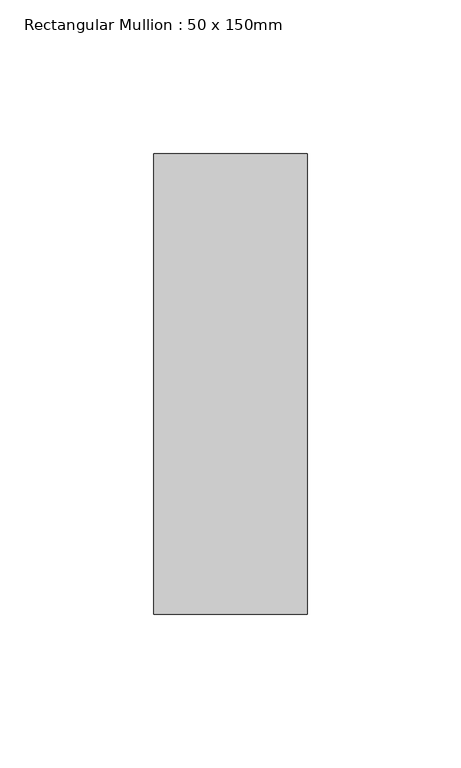
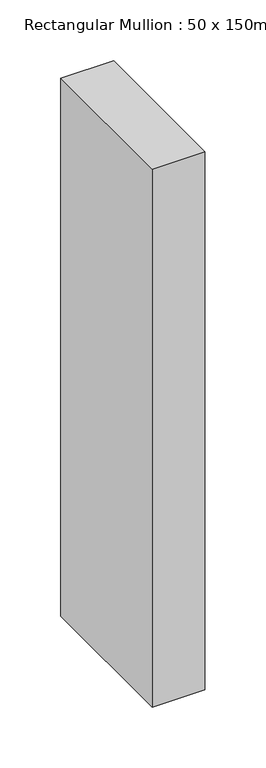
"""IFC4 building model written with IfcOpenShell, lengths in millimetres: member geometry, Rectangular Mullion : 50 x 150mm."""

from ifc_helpers import new_model, si_unit, frame, origin, place, context, project, spatial, polyline, outline, extrude, source, transform, mapped, element, save


def rectangular_mullion_50_x_150mm_dcf3b636(model_context):
    return source(origin(), model_context, "Body", "SweptSolid", [
        extrude(outline(polyline([(0.0, 75.0), (0.0, -75.0), (-50.0, -75.0), (-50.0, 75.0), (0.0, 75.0)])), frame((0.0, 0.0, -539.4970363), z_axis=(0.0, 0.0, 1.0), x_axis=(1.0, 0.0, 0.0)), (0.0, 0.0, 1.0), 539.4970363),
    ])


if __name__ == "__main__":
    model = new_model("IFC4")
    model_context = context("Model", 3, world=origin())
    ifc_project = project(units=[si_unit("LENGTHUNIT", "METRE", prefix="MILLI")], contexts=[model_context])
    site = spatial("IfcSite", under=ifc_project)
    building = spatial("IfcBuilding", under=site)
    placement = place(None, origin())
    rectangular_mullion_50_x_150mm_shape = rectangular_mullion_50_x_150mm_dcf3b636(model_context)
    element("IfcMember", 1, ObjectType="Rectangular Mullion : 50 x 150mm", at=placement, inside=building, context=model_context, shape_type="MappedRepresentation", body=[
        mapped(rectangular_mullion_50_x_150mm_shape, transform((0.0, 0.0, 0.0), x_axis=(1.0, 0.0, 0.0), y_axis=(0.0, 1.0, 0.0), z_axis=(0.0, 0.0, 1.0))),
    ])
    save(model, "model.ifc")
